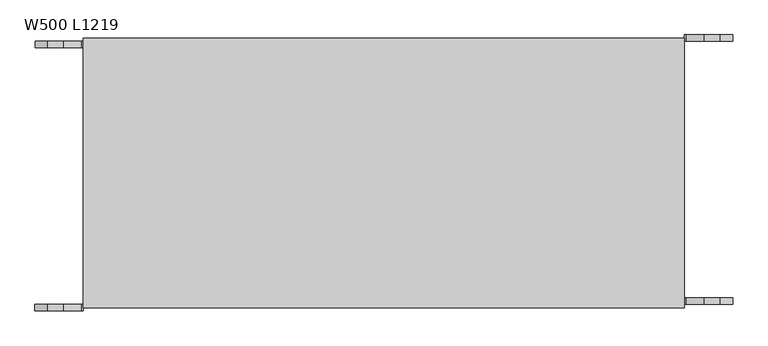
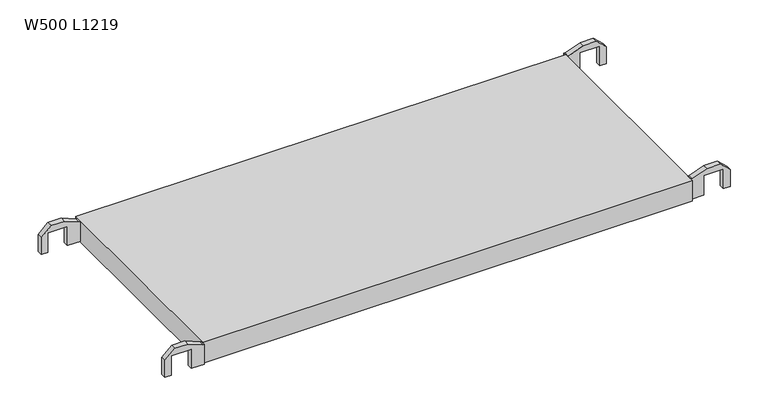
"""IFC4 building model written with IfcOpenShell, lengths in millimetres: proxy geometry, W500 L1219."""

from ifc_helpers import new_model, si_unit, frame, origin, place, context, project, spatial, polyline, outline, extrude, source, transform, mapped, element, save


def w500_l1219_0d4ecd1e(model_context):
    return source(origin(), model_context, "Body", "SweptSolid", [
        extrude(outline(polyline([(24.1, 52.2699789), (24.1, 48.7699789), (37.5, 15.1641799), (37.5, -14.6242221), (16.179605, -37.2300211), (-24.1, -37.2300211), (-24.1, -22.2300211), (22.4243463, -22.2300211), (22.4243463, 22.7699789), (-24.1, 22.7699789), (-24.1, 52.2699789), (24.1, 52.2699789)])), frame((0.0, 488.0, 0.0), z_axis=(0.0, 1.0, 0.0), x_axis=(0.0, 0.0, 1.0)), (0.0, 0.0, 1.0), 12.0),
        extrude(outline(polyline([(24.1, 1166.6474649), (-24.1, 1166.6474649), (-24.1, 1196.1474649), (22.4243463, 1196.1474649), (22.4243463, 1241.1474649), (-24.1, 1241.1474649), (-24.1, 1256.1474649), (16.179605, 1256.1474649), (37.5, 1233.5416659), (37.5, 1203.7532639), (24.1, 1170.1474649), (24.1, 1166.6474649)])), frame((0.0, 500.0, 0.0), z_axis=(0.0, 1.0, 0.0), x_axis=(0.0, 0.0, 1.0)), (0.0, 0.0, 1.0), 12.0),
        extrude(outline(polyline([(24.1, 52.0825562), (24.1, 48.5825562), (37.5, 14.9767572), (37.5, -14.8116448), (16.179605, -37.4174438), (-24.1, -37.4174438), (-24.1, -22.4174438), (22.4243463, -22.4174438), (22.4243463, 22.5825562), (-24.1, 22.5825562), (-24.1, 52.0825562), (24.1, 52.0825562)])), frame((0.0, 0.0, 0.0), z_axis=(0.0, 1.0, 0.0), x_axis=(0.0, 0.0, 1.0)), (0.0, 0.0, 1.0), 12.0),
        extrude(outline(polyline([(24.1, 1166.6474649), (-24.1, 1166.6474649), (-24.1, 1196.1474649), (22.4243463, 1196.1474649), (22.4243463, 1241.1474649), (-24.1, 1241.1474649), (-24.1, 1256.1474649), (16.179605, 1256.1474649), (37.5, 1233.5416659), (37.5, 1203.7532639), (24.1, 1170.1474649), (24.1, 1166.6474649)])), frame((0.0, 12.0, 0.0), z_axis=(0.0, 1.0, 0.0), x_axis=(0.0, 0.0, 1.0)), (0.0, 0.0, 1.0), 12.0),
        extrude(outline(polyline([(52.0, 6.0), (52.0, 506.0), (1167.0, 506.0), (1167.0, 6.0), (52.0, 6.0)])), frame((0.0, 0.0, -25.0), z_axis=(0.0, 0.0, 1.0), x_axis=(1.0, 0.0, 0.0)), (0.0, 0.0, 1.0), 50.0),
    ])


if __name__ == "__main__":
    model = new_model("IFC4")
    model_context = context("Model", 3, world=origin())
    ifc_project = project(units=[si_unit("LENGTHUNIT", "METRE", prefix="MILLI")], contexts=[model_context])
    site = spatial("IfcSite", under=ifc_project)
    building = spatial("IfcBuilding", under=site)
    placement = place(None, origin())
    w500_l1219_shape = w500_l1219_0d4ecd1e(model_context)
    element("IfcBuildingElementProxy", 1, Name="W500 L1219", ObjectType="W500 L1219", at=placement, inside=building, context=model_context, shape_type="MappedRepresentation", body=[
        mapped(w500_l1219_shape, transform((0.0, 0.0, 0.0), x_axis=(1.0, 0.0, 0.0), y_axis=(0.0, 1.0, 0.0), z_axis=(0.0, 0.0, 1.0))),
    ])
    save(model, "model.ifc")
